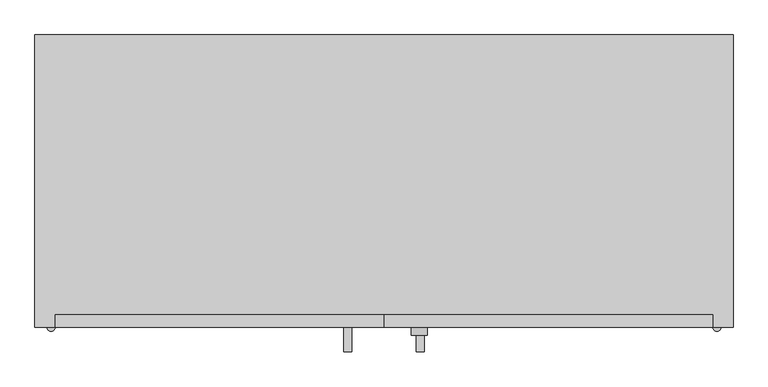
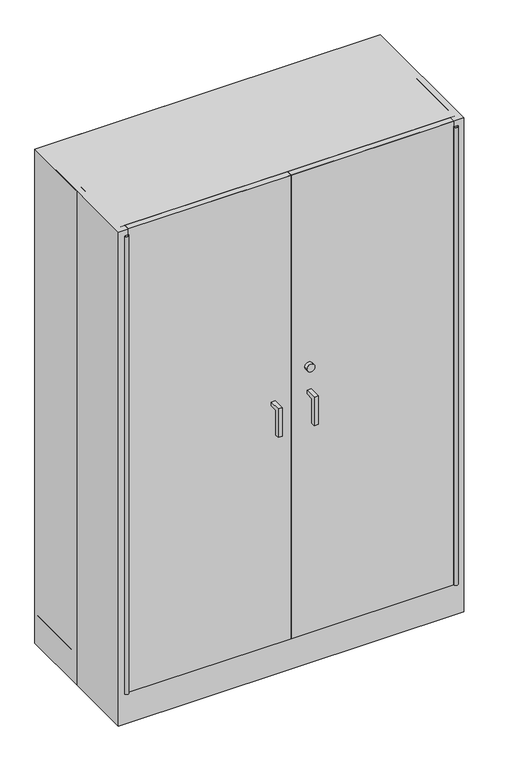
"""IFC4 building model written with IfcOpenShell, lengths in millimetres: proxy geometry."""

import ifcopenshell
import ifcopenshell.guid

model = None  # the IFC model being written
_history = None  # IfcOwnerHistory: only IFC2X3 demands one
_inside = {}  # id of a spatial element -> (the spatial element, [elements in it])
_under = {}  # id of a project, library or spatial element -> (it, [spatial elements below it])
_declared = {}  # id of a project -> (the project, [libraries it declares])
_typed = {}  # id of a type object -> (the type object, [elements of that type])
_made_of = {}  # id of a material, layer set ... -> (it, [elements and type objects made of it])


def new_model(schema):
    """Start an empty IFC model of exactly this schema.

    Asked for "IFC4X3", IfcOpenShell would pick the latest addendum, in which some entities
    have other attributes; the version numbers below select the first issue.
    IFC2X3 requires an IfcOwnerHistory on every rooted entity: one is made here for all.
    """
    global model, _history
    if schema == "IFC4X3":
        model = ifcopenshell.file(schema_version=(4, 3, 0, 0))
    else:
        model = ifcopenshell.file(schema=schema)
    _inside.clear()
    _under.clear()
    _declared.clear()
    _typed.clear()
    _made_of.clear()
    _history = None
    if model.schema == "IFC2X3":
        org = make("IfcOrganization", Name="unknown")
        user = make(
            "IfcPersonAndOrganization",
            ThePerson=make("IfcPerson", FamilyName="unknown"),
            TheOrganization=org,
        )
        app = make(
            "IfcApplication",
            ApplicationDeveloper=org,
            Version="unknown",
            ApplicationFullName="unknown",
            ApplicationIdentifier="unknown",
        )
        _history = make(
            "IfcOwnerHistory",
            OwningUser=user,
            OwningApplication=app,
            ChangeAction="ADDED",
            CreationDate=0,
        )
    return model


def make(cls, **values):
    """One entity of the class cls with the attributes given. An attribute that is None is left unset."""
    return model.create_entity(
        cls, **{name: value for name, value in values.items() if value is not None}
    )


def rooted(cls, **values):
    """An entity with a GlobalId (a new one), such as an element, a storey or a relation."""
    return make(cls, GlobalId=ifcopenshell.guid.new(), OwnerHistory=_history, **values)


def si_unit(unit_type, name, prefix=None):
    """IfcSIUnit, for example si_unit("LENGTHUNIT", "METRE", prefix="MILLI")."""
    return make("IfcSIUnit", UnitType=unit_type, Prefix=prefix, Name=name)


def assignment(units):
    """IfcUnitAssignment: the units of a project."""
    return None if units is None else make("IfcUnitAssignment", Units=units)


def point(xyz):
    """IfcCartesianPoint."""
    return None if xyz is None else make("IfcCartesianPoint", Coordinates=xyz)


def direction(xyz):
    """IfcDirection."""
    return None if xyz is None else make("IfcDirection", DirectionRatios=xyz)


def frame(location, z_axis=None, x_axis=None):
    """IfcAxis2Placement3D, a coordinate frame: its origin and axes. An axis left out is left unset."""
    return make(
        "IfcAxis2Placement3D",
        Location=point(location),
        Axis=direction(z_axis),
        RefDirection=direction(x_axis),
    )


def frame_2d(location, x_axis=None):
    """IfcAxis2Placement2D, a coordinate frame in the plane: its origin and x axis."""
    return make(
        "IfcAxis2Placement2D", Location=point(location), RefDirection=direction(x_axis)
    )


def origin():
    """The frame at (0, 0, 0) with its axes left unset."""
    return frame((0.0, 0.0, 0.0))


def origin_with_axes():
    """The frame at (0, 0, 0) with the z axis (0, 0, 1) and the x axis (1, 0, 0) written out."""
    return frame((0.0, 0.0, 0.0), z_axis=(0.0, 0.0, 1.0), x_axis=(1.0, 0.0, 0.0))


def place(relative_to, where):
    """IfcLocalPlacement: puts the frame where relative to a parent placement (None: the world)."""
    return make(
        "IfcLocalPlacement", PlacementRelTo=relative_to, RelativePlacement=where
    )


def context(
    kind, dimensions, precision=None, world=None, true_north=None, identifier=None
):
    """IfcGeometricRepresentationContext, for example the 3D "Model" context."""
    return make(
        "IfcGeometricRepresentationContext",
        ContextIdentifier=identifier,
        ContextType=kind,
        CoordinateSpaceDimension=dimensions,
        Precision=precision,
        WorldCoordinateSystem=world,
        TrueNorth=true_north,
    )


def project(units=None, contexts=None):
    """IfcProject with its units and contexts."""
    return rooted(
        "IfcProject",
        Name="project",
        RepresentationContexts=contexts,
        UnitsInContext=assignment(units),
    )


def spatial(cls, under=None, at=None, **own):
    """A site, building, storey or space (cls), placed at a placement, below another one or the project."""
    s = rooted(cls, ObjectPlacement=at, **own)
    if under is not None:
        _under.setdefault(under.id(), (under, []))[1].append(s)
    return s


def polyline(points):
    """IfcPolyline through the points."""
    return make("IfcPolyline", Points=[point(p) for p in points])


def circle_curve(where, radius):
    """IfcCircle in the frame where."""
    return make("IfcCircle", Position=where, Radius=radius)


def trimmed(basis, trim1, trim2, sense, master):
    """IfcTrimmedCurve: the piece of a basis curve between two trims."""
    return make(
        "IfcTrimmedCurve",
        BasisCurve=basis,
        Trim1=trim1,
        Trim2=trim2,
        SenseAgreement=sense,
        MasterRepresentation=master,
    )


def segment(curve, same_sense, transition):
    """IfcCompositeCurveSegment."""
    return make(
        "IfcCompositeCurveSegment",
        Transition=transition,
        SameSense=same_sense,
        ParentCurve=curve,
    )


def composite_curve(segments, self_intersect=None):
    """IfcCompositeCurve: segments joined end to end."""
    return make("IfcCompositeCurve", Segments=segments, SelfIntersect=self_intersect)


def outline(outer, holes=None, kind="AREA"):
    """IfcArbitraryClosedProfileDef: a profile drawn as a closed curve; with holes, ...WithVoids."""
    if holes is None:
        return make("IfcArbitraryClosedProfileDef", ProfileType=kind, OuterCurve=outer)
    return make(
        "IfcArbitraryProfileDefWithVoids",
        ProfileType=kind,
        OuterCurve=outer,
        InnerCurves=holes,
    )


def extrude(swept, where, along, depth):
    """IfcExtrudedAreaSolid: the profile swept, set in the frame where, extruded along a direction by depth."""
    return make(
        "IfcExtrudedAreaSolid",
        SweptArea=swept,
        Position=where,
        ExtrudedDirection=direction(along),
        Depth=depth,
    )


def shape(context_of_items, identifier, shape_type, items):
    """IfcShapeRepresentation: the items that make up one representation, for example the "Body"."""
    return make(
        "IfcShapeRepresentation",
        ContextOfItems=context_of_items,
        RepresentationIdentifier=identifier,
        RepresentationType=shape_type,
        Items=items,
    )


def source(mapping_origin, context_of_items, identifier, shape_type, items):
    """IfcRepresentationMap: a shape defined once, which mapped items show again and again."""
    return make(
        "IfcRepresentationMap",
        MappingOrigin=mapping_origin,
        MappedRepresentation=shape(context_of_items, identifier, shape_type, items),
    )


def transform(
    local_origin,
    x_axis=None,
    y_axis=None,
    z_axis=None,
    scale=None,
    scale2=None,
    scale3=None,
    uniform=True,
):
    """IfcCartesianTransformationOperator3D, or its non-uniform kind. x_axis, y_axis, z_axis: its Axis1, 2, 3."""
    if uniform:
        return make(
            "IfcCartesianTransformationOperator3D",
            Axis1=direction(x_axis),
            Axis2=direction(y_axis),
            LocalOrigin=point(local_origin),
            Scale=scale,
            Axis3=direction(z_axis),
        )
    return make(
        "IfcCartesianTransformationOperator3DnonUniform",
        Axis1=direction(x_axis),
        Axis2=direction(y_axis),
        LocalOrigin=point(local_origin),
        Scale=scale,
        Axis3=direction(z_axis),
        Scale2=scale2,
        Scale3=scale3,
    )


def mapped(mapping_source, mapping_target):
    """IfcMappedItem: shows the shape of a source again, moved by a transform."""
    return make(
        "IfcMappedItem", MappingSource=mapping_source, MappingTarget=mapping_target
    )


def made_of(thing, what):
    """Note that an element or type object is made of a material, layer set ...; save() writes the relation."""
    if what is not None:
        _made_of.setdefault(what.id(), (what, []))[1].append(thing)
    return thing


def element(
    cls,
    number,
    at=None,
    inside=None,
    cuts=None,
    type_object=None,
    material=None,
    context=None,
    identifier="Body",
    shape_type=None,
    held_by="IfcProductDefinitionShape",
    body=None,
    shapes=None,
    **own,
):
    """One element of the class cls, such as IfcWall. Its Tag is "e" and its number.

    at: its placement. inside: the storey or other place that contains it. cuts: it is an
    opening in that element (IfcRelVoidsElement). A single representation is given by context,
    identifier, shape_type and body (its items); several are given by shapes. held_by: the class
    of the entity that holds the representations. save() writes the other relations.
    """
    e = rooted(cls, Tag="e%d" % number, ObjectPlacement=at, **own)
    if body is not None:
        shapes = [shape(context, identifier, shape_type, body)]
    if shapes is not None:
        e.Representation = make(held_by, Representations=shapes)
    if inside is not None:
        _inside.setdefault(inside.id(), (inside, []))[1].append(e)
    if cuts is not None:
        rooted(
            "IfcRelVoidsElement", RelatingBuildingElement=cuts, RelatedOpeningElement=e
        )
    if type_object is not None:
        _typed.setdefault(type_object.id(), (type_object, []))[1].append(e)
    return made_of(e, material)


def aggregate(whole, parts):
    """IfcRelAggregates: a whole, such as a stair, and the parts it consists of."""
    return rooted("IfcRelAggregates", RelatingObject=whole, RelatedObjects=parts)


def save(model, path):
    """Write the relations noted so far, then the file.

    IfcRelAggregates (storeys below a building ...), IfcRelContainedInSpatialStructure (elements
    in a storey), IfcRelDefinesByType, IfcRelAssociatesMaterial and IfcRelDeclares: one each for
    every whole, place, type object, material and project.
    """
    for whole, parts in _under.values():
        aggregate(whole, parts)
    for where, things in _inside.values():
        rooted(
            "IfcRelContainedInSpatialStructure",
            RelatedElements=things,
            RelatingStructure=where,
        )
    for kind, things in _typed.values():
        rooted("IfcRelDefinesByType", RelatedObjects=things, RelatingType=kind)
    for what, things in _made_of.values():
        rooted("IfcRelAssociatesMaterial", RelatedObjects=things, RelatingMaterial=what)
    for by, libraries in _declared.values():
        rooted("IfcRelDeclares", RelatingContext=by, RelatedDefinitions=libraries)
    model.write(path)


def specialty_equipment_634e261d(model_context):
    return source(origin(), model_context, "Body", "SweptSolid", [
        extrude(outline(composite_curve([segment(trimmed(circle_curve(frame_2d((994.2982536, 55.3458716)), 12.7), [point((994.2982536, 42.6458716))], [point((994.2982536, 68.0458716))], False, "CARTESIAN"), True, "CONTINUOUS"), segment(trimmed(circle_curve(frame_2d((994.2982536, 55.3458716)), 12.7), [point((994.2982536, 68.0458716))], [point((994.2982536, 42.6458716))], False, "CARTESIAN"), True, "CONTINUOUS")], self_intersect=False)), frame((0.0, -241.3, 0.0), z_axis=(0.0, 1.0, 0.0), x_axis=(0.0, 0.0, 1.0)), (0.0, 0.0, 1.0), 12.7),
        extrude(outline(polyline([(-266.7, 819.15), (-266.7, 914.4), (-228.6, 914.4), (-228.6, 901.7159299), (-254.0159299, 901.7159299), (-254.0159299, 831.8340701), (-254.0159299, 819.15), (-266.7, 819.15)])), frame((-63.2065288, 0.0, 0.0), z_axis=(1.0, 0.0, 0.0), x_axis=(0.0, 1.0, 0.0)), (0.0, 0.0, 1.0), 12.7),
        extrude(outline(polyline([(-266.7, 819.15), (-266.7, 914.4), (-228.6, 914.4), (-228.6, 901.7159299), (-254.0159299, 901.7159299), (-254.0159299, 831.8340701), (-254.0159299, 819.15), (-266.7, 819.15)])), frame((50.5065288, 0.0, 0.0), z_axis=(1.0, 0.0, 0.0), x_axis=(0.0, 1.0, 0.0)), (0.0, 0.0, 1.0), 12.7),
        extrude(outline(polyline([(514.35, -228.6), (0.0, -228.6), (0.0, -209.55), (514.35, -209.55), (514.35, -228.6)])), frame((0.0, 0.0, 101.6), z_axis=(0.0, 0.0, 1.0), x_axis=(1.0, 0.0, 0.0)), (0.0, 0.0, 1.0), 1549.4),
        extrude(outline(polyline([(0.0, -228.6), (-514.35, -228.6), (-514.35, -209.55), (0.0, -209.55), (0.0, -228.6)])), frame((0.0, 0.0, 101.6), z_axis=(0.0, 0.0, 1.0), x_axis=(1.0, 0.0, 0.0)), (0.0, 0.0, 1.0), 1549.4),
        extrude(outline(composite_curve([segment(trimmed(circle_curve(frame_2d((520.7, -228.6)), 6.35), [point((514.35, -228.6))], [point((527.05, -228.6))], False, "CARTESIAN"), True, "CONTINUOUS"), segment(trimmed(circle_curve(frame_2d((520.7, -228.6)), 6.35), [point((527.05, -228.6))], [point((514.35, -228.6))], False, "CARTESIAN"), True, "CONTINUOUS")], self_intersect=False)), frame((0.0, 0.0, 101.6), z_axis=(0.0, 0.0, 1.0), x_axis=(1.0, 0.0, 0.0)), (0.0, 0.0, 1.0), 1530.35),
        extrude(outline(composite_curve([segment(trimmed(circle_curve(frame_2d((-520.7, -228.6)), 6.35), [point((-514.35, -228.6))], [point((-527.05, -228.6))], False, "CARTESIAN"), True, "CONTINUOUS"), segment(trimmed(circle_curve(frame_2d((-520.7, -228.6)), 6.35), [point((-527.05, -228.6))], [point((-514.35, -228.6))], False, "CARTESIAN"), True, "CONTINUOUS")], self_intersect=False)), frame((0.0, 0.0, 101.6), z_axis=(0.0, 0.0, 1.0), x_axis=(1.0, 0.0, 0.0)), (0.0, 0.0, 1.0), 1530.35),
        extrude(outline(polyline([(-546.1, 228.6), (546.1, 228.6), (546.1, -228.6), (-546.1, -228.6), (-546.1, 0.0), (-546.1, 228.6)])), origin_with_axes(), (0.0, 0.0, 1.0), 1651.0),
        extrude(outline(polyline([(546.1, -196.85), (-546.1, -196.85), (-546.1, -177.8), (546.1, -177.8), (546.1, -196.85)])), origin_with_axes(), (0.0, 0.0, 1.0), 101.6),
        extrude(outline(polyline([(527.05, 228.6), (527.05, -209.55), (-527.05, -209.55), (-527.05, 228.6), (527.05, 228.6)])), frame((0.0, 0.0, 1631.95), z_axis=(0.0, 0.0, 1.0), x_axis=(1.0, 0.0, 0.0)), (0.0, 0.0, 1.0), 19.05),
        extrude(outline(polyline([(527.05, 209.55), (-527.05, 209.55), (-527.05, 228.6), (527.05, 228.6), (527.05, 209.55)])), origin_with_axes(), (0.0, 0.0, 1.0), 1631.95),
        extrude(outline(polyline([(527.05, -177.8), (527.05, 228.6), (546.1, 228.6), (546.1, -177.8), (527.05, -177.8)])), origin_with_axes(), (0.0, 0.0, 1.0), 101.6),
        extrude(outline(polyline([(527.05, -228.6), (527.05, 228.6), (546.1, 228.6), (546.1, -228.6), (527.05, -228.6)])), frame((0.0, 0.0, 101.6), z_axis=(0.0, 0.0, 1.0), x_axis=(1.0, 0.0, 0.0)), (0.0, 0.0, 1.0), 1549.4),
        extrude(outline(polyline([(-546.1, -177.8), (-546.1, 228.6), (-527.05, 228.6), (-527.05, -177.8), (-546.1, -177.8)])), origin_with_axes(), (0.0, 0.0, 1.0), 101.6),
        extrude(outline(polyline([(-546.1, -228.6), (-546.1, 228.6), (-527.05, 228.6), (-527.05, -228.6), (-546.1, -228.6)])), frame((0.0, 0.0, 101.6), z_axis=(0.0, 0.0, 1.0), x_axis=(1.0, 0.0, 0.0)), (0.0, 0.0, 1.0), 1549.4),
        extrude(outline(polyline([(527.05, 209.55), (527.05, -209.55), (-527.05, -209.55), (-527.05, 209.55), (527.05, 209.55)])), frame((0.0, 0.0, 101.6), z_axis=(0.0, 0.0, 1.0), x_axis=(1.0, 0.0, 0.0)), (0.0, 0.0, 1.0), 19.1166954),
    ])


if __name__ == "__main__":
    model = new_model("IFC4")
    model_context = context("Model", 3, world=origin())
    ifc_project = project(units=[si_unit("LENGTHUNIT", "METRE", prefix="MILLI")], contexts=[model_context])
    site = spatial("IfcSite", under=ifc_project)
    building = spatial("IfcBuilding", under=site)
    placement = place(None, origin())
    specialty_equipment_shape = specialty_equipment_634e261d(model_context)
    element("IfcBuildingElementProxy", 1, Name="Specialty Equipment", at=placement, inside=building, context=model_context, shape_type="MappedRepresentation", body=[
        mapped(specialty_equipment_shape, transform((0.0, 0.0, 0.0), x_axis=(1.0, 0.0, 0.0), y_axis=(0.0, 1.0, 0.0), z_axis=(0.0, 0.0, 1.0))),
    ])
    save(model, "model.ifc")
